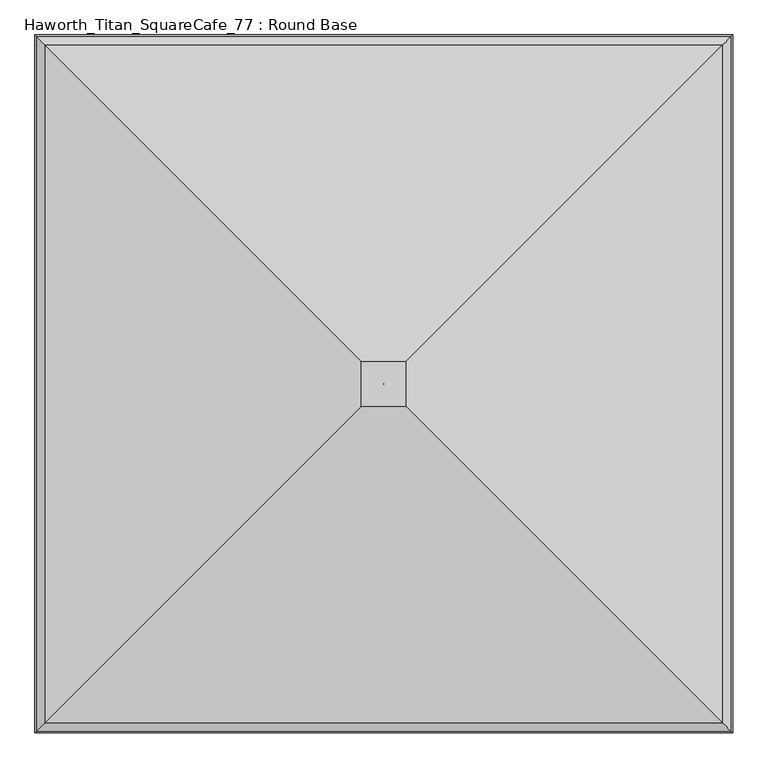
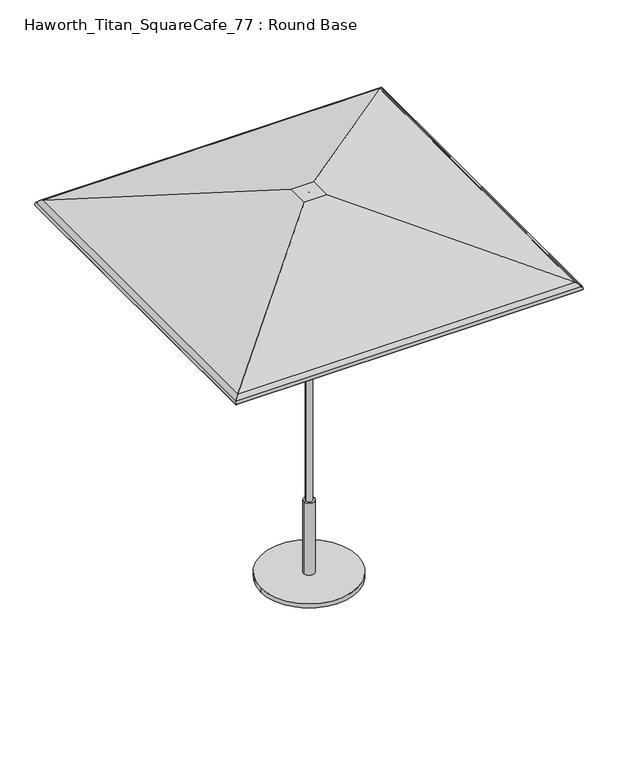
"""IFC4 building model written with IfcOpenShell, lengths in millimetres: furniture geometry, Haworth_Titan_SquareCafe_77 : Round Base."""

from ifc_helpers import new_model, si_unit, point, frame, frame_2d, origin, origin_with_axes, place, context, project, spatial, polyline, circle_curve, ellipse_curve, trimmed, segment, composite_curve, outline, extrude, source, transform, mapped, element, save
from ifc_brep_helpers import plane_surface, cylinder_surface, revolved_surface, advanced_brep


def haworth_titan_squarecafe_77_round_base_10424171(model_context):
    return source(origin(), model_context, "Body", "SolidModel", [
        advanced_brep(
        [(-0.1191233, -3.7889421, 2332.2359375), (-0.1191233, -3.7889421, 2336.8), (0.1191233, -3.7889421, 2336.8), (0.1191233, -3.7889421, 2332.2359375), (-972.8203346, -976.4901535, 2032.8952419), (-63.8799222, -67.5497411, 2332.2359375), (63.8799222, -67.5497411, 2332.2359375), (972.8203346, -976.4901535, 2032.8952419), (-993.3252275, -996.9950464, 2015.7031479), (993.3252275, -996.9950464, 2015.7031479), (-995.3819432, -999.051762, 1999.8260507), (995.3819432, -999.051762, 1999.8260507), (-999.7734953, -1003.4433141, 1998.5830959), (999.7734953, -1003.4433141, 1998.5830959), (-997.255117, -1000.9249359, 2018.0240604), (997.255117, -1000.9249359, 2018.0240604), (-972.7319046, -976.4017234, 2037.7634079), (972.7319046, -976.4017234, 2037.7634079), (-64.7106433, -68.3804622, 2336.8), (64.7106433, -68.3804622, 2336.8), (0.1191233, -2.7851577, 2336.8), (0.1191233, -2.7851577, 2332.2359375), (63.8799222, 60.9756412, 2332.2359375), (972.8203346, 969.9160536, 2032.8952419), (993.3252275, 990.4209465, 2015.7031479), (995.3819432, 992.4776622, 1999.8260507), (999.7734953, 996.8692143, 1998.5830959), (997.255117, 994.350836, 2018.0240604), (972.7319046, 969.8276236, 2037.7634079), (64.7106433, 61.8063623, 2336.8), (-0.1191233, -2.7851577, 2336.8), (-0.1191233, -2.7851577, 2332.2359375), (-63.8799222, 60.9756412, 2332.2359375), (-972.8203346, 969.9160536, 2032.8952419), (-993.3252275, 990.4209465, 2015.7031479), (-995.3819432, 992.4776622, 1999.8260507), (-999.7734953, 996.8692143, 1998.5830959), (-997.255117, 994.350836, 2018.0240604), (-972.7319046, 969.8276236, 2037.7634079), (-64.7106433, 61.8063623, 2336.8)],
        [
            (0, 1),
            (1, 2),
            (2, 3),
            (3, 0),
            (4, 5),
            (5, 6),
            (6, 7),
            (7, 4),
            (8, 4, ellipse_curve(frame((-958.7402749, -962.4100938, 1995.2779812), z_axis=(-0.7071067811865475, 0.7071067811865475, 0.0), x_axis=(0.7071067811865476, 0.7071067811865474, 0.0)), 56.8032813, 40.1659854)),
            (7, 9, ellipse_curve(frame((958.7402749, -962.4100938, 1995.2779812), z_axis=(0.7071067811865475, 0.7071067811865475, 0.0), x_axis=(0.7071067811865476, -0.7071067811865474, 0.0)), 56.8032813, 40.1659854)),
            (9, 8),
            (10, 8, ellipse_curve(frame((-975.8174942, -979.4873131, 2005.3634382), z_axis=(-0.7071067811865475, 0.7071067811865475, 0.0), x_axis=(0.7071067811865476, 0.7071067811865474, 0.0)), 28.7551847, 20.3329861)),
            (9, 11, ellipse_curve(frame((975.8174942, -979.4873131, 2005.3634382), z_axis=(0.7071067811865475, 0.7071067811865475, 0.0), x_axis=(0.7071067811865476, -0.7071067811865474, 0.0)), 28.7551847, 20.3329861)),
            (11, 10),
            (12, 10, ellipse_curve(frame((-997.5777192, -1001.2475381, 1999.2045733), z_axis=(0.7071067811865475, -0.7071067811865475, 0.0), x_axis=(-0.7071067811865476, -0.7071067811865474, 0.0)), 3.2272795, 2.2820312)),
            (11, 13, ellipse_curve(frame((997.5777192, -1001.2475381, 1999.2045733), z_axis=(-0.7071067811865475, -0.7071067811865475, 0.0), x_axis=(-0.7071067811865476, 0.7071067811865474, 0.0)), 3.2272795, 2.2820312)),
            (13, 12),
            (14, 12, ellipse_curve(frame((-975.8174942, -979.4873131, 2005.3634382), z_axis=(0.7071067811865475, -0.7071067811865475, 0.0), x_axis=(-0.7071067811865476, -0.7071067811865474, 0.0)), 35.2097438, 24.8970486)),
            (13, 15, ellipse_curve(frame((975.8174942, -979.4873131, 2005.3634382), z_axis=(-0.7071067811865475, -0.7071067811865475, 0.0), x_axis=(-0.7071067811865476, 0.7071067811865474, 0.0)), 35.2097438, 24.8970486)),
            (15, 14),
            (16, 14, ellipse_curve(frame((-958.7402749, -962.4100938, 1995.2779812), z_axis=(0.7071067811865475, -0.7071067811865475, 0.0), x_axis=(-0.7071067811865476, -0.7071067811865474, 0.0)), 63.2578403, 44.7300479)),
            (15, 17, ellipse_curve(frame((958.7402749, -962.4100938, 1995.2779812), z_axis=(-0.7071067811865475, -0.7071067811865475, 0.0), x_axis=(-0.7071067811865476, 0.7071067811865474, 0.0)), 63.2578403, 44.7300479)),
            (17, 16),
            (18, 16),
            (17, 19),
            (19, 18),
            (2, 20),
            (20, 21),
            (21, 3),
            (6, 22),
            (22, 23),
            (23, 7),
            (23, 24, ellipse_curve(frame((958.7402749, 955.8359939, 1995.2779812), z_axis=(-0.7071067811865475, 0.7071067811865475, 0.0), x_axis=(0.7071067811865474, 0.7071067811865476, 0.0)), 56.8032813, 40.1659854)),
            (24, 9),
            (24, 25, ellipse_curve(frame((975.8174942, 972.9132132, 2005.3634382), z_axis=(-0.7071067811865475, 0.7071067811865475, 0.0), x_axis=(0.7071067811865474, 0.7071067811865476, 0.0)), 28.7551847, 20.3329861)),
            (25, 11),
            (25, 26, ellipse_curve(frame((997.5777192, 994.6734382, 1999.2045733), z_axis=(0.7071067811865475, -0.7071067811865475, 0.0), x_axis=(-0.7071067811865474, -0.7071067811865476, 0.0)), 3.2272795, 2.2820312)),
            (26, 13),
            (26, 27, ellipse_curve(frame((975.8174942, 972.9132132, 2005.3634382), z_axis=(0.7071067811865475, -0.7071067811865475, 0.0), x_axis=(-0.7071067811865474, -0.7071067811865476, 0.0)), 35.2097438, 24.8970486)),
            (27, 15),
            (27, 28, ellipse_curve(frame((958.7402749, 955.8359939, 1995.2779812), z_axis=(0.7071067811865475, -0.7071067811865475, 0.0), x_axis=(-0.7071067811865474, -0.7071067811865476, 0.0)), 63.2578403, 44.7300479)),
            (28, 17),
            (28, 29),
            (29, 19),
            (20, 30),
            (30, 31),
            (31, 21),
            (22, 32),
            (32, 33),
            (33, 23),
            (33, 34, ellipse_curve(frame((-958.7402749, 955.8359939, 1995.2779812), z_axis=(-0.7071067811865475, -0.7071067811865475, 0.0), x_axis=(-0.7071067811865476, 0.7071067811865474, 0.0)), 56.8032813, 40.1659854)),
            (34, 24),
            (34, 35, ellipse_curve(frame((-975.8174942, 972.9132132, 2005.3634382), z_axis=(-0.7071067811865475, -0.7071067811865475, 0.0), x_axis=(-0.7071067811865476, 0.7071067811865474, 0.0)), 28.7551847, 20.3329861)),
            (35, 25),
            (35, 36, ellipse_curve(frame((-997.5777192, 994.6734382, 1999.2045733), z_axis=(0.7071067811865475, 0.7071067811865475, 0.0), x_axis=(0.7071067811865476, -0.7071067811865474, 0.0)), 3.2272795, 2.2820312)),
            (36, 26),
            (36, 37, ellipse_curve(frame((-975.8174942, 972.9132132, 2005.3634382), z_axis=(0.7071067811865475, 0.7071067811865475, 0.0), x_axis=(0.7071067811865476, -0.7071067811865474, 0.0)), 35.2097438, 24.8970486)),
            (37, 27),
            (37, 38, ellipse_curve(frame((-958.7402749, 955.8359939, 1995.2779812), z_axis=(0.7071067811865475, 0.7071067811865475, 0.0), x_axis=(0.7071067811865476, -0.7071067811865474, 0.0)), 63.2578403, 44.7300479)),
            (38, 28),
            (38, 39),
            (39, 29),
            (39, 18),
            (1, 30),
            (0, 31),
            (5, 32),
            (4, 33),
            (8, 34),
            (10, 35),
            (12, 36),
            (14, 37),
            (16, 38),
        ],
        [
            plane_surface(frame((-0.1191233, -3.7889421, 2336.8), z_axis=(0.0, 1.0, 0.0), x_axis=(1.0, 0.0, 0.0))),
            plane_surface(frame((-63.8799222, -67.5497411, 2332.2359375), z_axis=(0.0, 0.3128029016514654, -0.9498180587451598), x_axis=(1.0, 0.0, 0.0))),
            revolved_surface(polyline([(998.9062603008771, -922.2441084000001, 1995.2779812), (-998.9062603008771, -922.2441084000001, 1995.2779812)]), (-1013.0581334, -962.4100938, 1995.2779812), (1.0, 0.0, 0.0)),
            revolved_surface(polyline([(996.1504802956416, -959.1543270000001, 2005.3634382), (-996.1504802956417, -959.1543270000001, 2005.3634382)]), (-1013.0581334, -979.4873131, 2005.3634382), (1.0, 0.0, 0.0)),
            cylinder_surface(frame((-1013.0581334, -1001.2475381, 1999.2045733), z_axis=(-1.0, 0.0, 0.0), x_axis=(0.0, 1.0, 0.0)), 2.2820312),
            cylinder_surface(frame((-1013.0581334, -979.4873131, 2005.3634382), z_axis=(-1.0, 0.0, 0.0), x_axis=(0.0, 1.0, 0.0)), 24.8970486),
            cylinder_surface(frame((-1013.0581334, -962.4100938, 1995.2779812), z_axis=(-1.0, 0.0, 0.0), x_axis=(0.0, 1.0, 0.0)), 44.7300479),
            plane_surface(frame((-972.7319046, -976.4017234, 2037.7634079), z_axis=(0.0, -0.3128015803524927, 0.9498184938865862), x_axis=(1.0, 0.0, 0.0))),
            plane_surface(frame((0.1191233, -3.7889421, 2336.8), z_axis=(-1.0, 0.0, 0.0), x_axis=(0.0, 1.0, 0.0))),
            plane_surface(frame((63.8799222, -67.5497411, 2332.2359375), z_axis=(-0.31280290165146846, 0.0, -0.9498180587451588), x_axis=(0.0, 1.0, 0.0))),
            revolved_surface(polyline([(918.5742895000001, 996.0019793008769, 1995.2779812), (918.5742895000001, -1002.5760792008771, 1995.2779812)]), (958.7402749, -1016.7279523, 1995.2779812), (0.0, 1.0, 0.0)),
            revolved_surface(polyline([(955.4845081000001, 993.2461992956416, 2005.3634382), (955.4845081000001, -999.8202991956417, 2005.3634382)]), (975.8174942, -1016.7279523, 2005.3634382), (0.0, 1.0, 0.0)),
            cylinder_surface(frame((997.5777192, -1016.7279523, 1999.2045733), z_axis=(0.0, -1.0, 0.0), x_axis=(-1.0, 0.0, 0.0)), 2.2820312),
            cylinder_surface(frame((975.8174942, -1016.7279523, 2005.3634382), z_axis=(0.0, -1.0, 0.0), x_axis=(-1.0, 0.0, 0.0)), 24.8970486),
            cylinder_surface(frame((958.7402749, -1016.7279523, 1995.2779812), z_axis=(0.0, -1.0, 0.0), x_axis=(-1.0, 0.0, 0.0)), 44.7300479),
            plane_surface(frame((972.7319046, -976.4017234, 2037.7634079), z_axis=(0.3128015803524958, 0.0, 0.9498184938865852), x_axis=(0.0, 1.0, 0.0))),
            plane_surface(frame((0.1191233, -2.7851577, 2336.8), z_axis=(0.0, -1.0, 0.0), x_axis=(-1.0, 0.0, 0.0))),
            plane_surface(frame((63.8799222, 60.9756412, 2332.2359375), z_axis=(0.0, -0.3128029016514654, -0.9498180587451598), x_axis=(-1.0, 0.0, 0.0))),
            revolved_surface(polyline([(-998.9062603008771, 915.6700085, 1995.2779812), (998.9062603008771, 915.6700085, 1995.2779812)]), (1013.0581334, 955.8359939, 1995.2779812), (-1.0, 0.0, 0.0)),
            revolved_surface(polyline([(-996.1504802956416, 952.5802271, 2005.3634382), (996.1504802956417, 952.5802271, 2005.3634382)]), (1013.0581334, 972.9132132, 2005.3634382), (-1.0, 0.0, 0.0)),
            cylinder_surface(frame((1013.0581334, 994.6734382, 1999.2045733), z_axis=(1.0, 0.0, 0.0), x_axis=(0.0, -1.0, 0.0)), 2.2820312),
            cylinder_surface(frame((1013.0581334, 972.9132132, 2005.3634382), z_axis=(1.0, 0.0, 0.0), x_axis=(0.0, -1.0, 0.0)), 24.8970486),
            cylinder_surface(frame((1013.0581334, 955.8359939, 1995.2779812), z_axis=(1.0, 0.0, 0.0), x_axis=(0.0, -1.0, 0.0)), 44.7300479),
            plane_surface(frame((972.7319046, 969.8276236, 2037.7634079), z_axis=(0.0, 0.3128015803524927, 0.9498184938865862), x_axis=(-1.0, 0.0, 0.0))),
            plane_surface(frame((-64.7106433, 61.8063623, 2336.8), z_axis=(0.0, 0.0, 1.0), x_axis=(0.0, -1.0, 0.0))),
            plane_surface(frame((-0.1191233, -2.7851577, 2336.8), z_axis=(1.0, 0.0, 0.0), x_axis=(0.0, -1.0, 0.0))),
            plane_surface(frame((-0.1191233, -2.7851577, 2332.2359375), z_axis=(0.0, 0.0, -1.0), x_axis=(0.0, -1.0, 0.0))),
            plane_surface(frame((-63.8799222, 60.9756412, 2332.2359375), z_axis=(0.31280290165146235, 0.0, -0.9498180587451608), x_axis=(0.0, -1.0, 0.0))),
            revolved_surface(polyline([(-918.5742895000001, -1002.5760792008768, 1995.2779812), (-918.5742895000001, 996.001979300877, 1995.2779812)]), (-958.7402749, 1010.1538524, 1995.2779812), (0.0, -1.0, 0.0)),
            revolved_surface(polyline([(-955.4845081000001, -999.8202991956418, 2005.3634382), (-955.4845081000001, 993.2461992956416, 2005.3634382)]), (-975.8174942, 1010.1538524, 2005.3634382), (0.0, -1.0, 0.0)),
            cylinder_surface(frame((-997.5777192, 1010.1538524, 1999.2045733), z_axis=(0.0, 1.0, 0.0), x_axis=(1.0, 0.0, 0.0)), 2.2820312),
            cylinder_surface(frame((-975.8174942, 1010.1538524, 2005.3634382), z_axis=(0.0, 1.0, 0.0), x_axis=(1.0, 0.0, 0.0)), 24.8970486),
            cylinder_surface(frame((-958.7402749, 1010.1538524, 1995.2779812), z_axis=(0.0, 1.0, 0.0), x_axis=(1.0, 0.0, 0.0)), 44.7300479),
            plane_surface(frame((-972.7319046, 969.8276236, 2037.7634079), z_axis=(-0.31280158035248967, 0.0, 0.9498184938865872), x_axis=(0.0, -1.0, 0.0))),
        ],
        [
            (0, [[1, 2, 3, 4]]),
            (1, [[5, 6, 7, 8]]),
            (2, [[9, -8, 10, 11]]),
            (3, [[12, -11, 13, 14]]),
            (4, [[15, -14, 16, 17]]),
            (5, [[18, -17, 19, 20]]),
            (6, [[21, -20, 22, 23]]),
            (7, [[24, -23, 25, 26]]),
            (8, [[-3, 27, 28, 29]]),
            (9, [[-7, 30, 31, 32]]),
            (10, [[-10, -32, 33, 34]]),
            (11, [[-13, -34, 35, 36]]),
            (12, [[-16, -36, 37, 38]]),
            (13, [[-19, -38, 39, 40]]),
            (14, [[-22, -40, 41, 42]]),
            (15, [[-25, -42, 43, 44]]),
            (16, [[-28, 45, 46, 47]]),
            (17, [[-31, 48, 49, 50]]),
            (18, [[-33, -50, 51, 52]]),
            (19, [[-35, -52, 53, 54]]),
            (20, [[-37, -54, 55, 56]]),
            (21, [[-39, -56, 57, 58]]),
            (22, [[-41, -58, 59, 60]]),
            (23, [[-43, -60, 61, 62]]),
            (24, [[-44, -62, 63, -26], [64, -45, -27, -2]]),
            (25, [[-46, -64, -1, 65]]),
            (26, [[66, -48, -30, -6], [-29, -47, -65, -4]]),
            (27, [[-49, -66, -5, 67]]),
            (28, [[-51, -67, -9, 68]]),
            (29, [[-53, -68, -12, 69]]),
            (30, [[-55, -69, -15, 70]]),
            (31, [[-57, -70, -18, 71]]),
            (32, [[-59, -71, -21, 72]]),
            (33, [[-61, -72, -24, -63]]),
        ],
    ),
        extrude(outline(composite_curve([segment(trimmed(circle_curve(frame_2d((0.0, -4.0299408)), 279.4), [point((-279.4, -4.0299408))], [point((279.4, -4.0299408))], False, "CARTESIAN"), True, "CONTINUOUS"), segment(trimmed(circle_curve(frame_2d((0.0, -4.0299408)), 279.4), [point((279.4, -4.0299408))], [point((-279.4, -4.0299408))], False, "CARTESIAN"), True, "CONTINUOUS")], self_intersect=False)), origin_with_axes(), (0.0, 0.0, 1.0), 25.4),
        advanced_brep(
        [(-19.05, -4.0299408, 463.5500121), (19.05, -4.0299408, 463.5500121), (31.7499992, -4.0299408, 463.5500121), (-31.7499992, -4.0299408, 463.5500121), (-19.05, -4.0299408, 1771.5507813), (19.05, -4.0299408, 1771.5507813), (0.0, -4.0299408, 1771.5507813), (-31.7499992, -4.0299408, 25.4), (31.7499992, -4.0299408, 25.4), (0.0, -4.0299408, 25.4)],
        [
            (0, 1, circle_curve(frame((0.0, -4.0299408, 463.5500121), z_axis=(0.0, 0.0, -1.0), x_axis=(1.0, 0.0, 0.0)), 19.05)),
            (1, 2),
            (2, 3, circle_curve(frame((0.0, -4.0299408, 463.5500121), z_axis=(0.0, 0.0, 1.0), x_axis=(1.0, 0.0, 0.0)), 31.7499992)),
            (3, 0),
            (1, 0, circle_curve(frame((0.0, -4.0299408, 463.5500121), z_axis=(0.0, 0.0, -1.0), x_axis=(1.0, 0.0, 0.0)), 19.05)),
            (3, 2, circle_curve(frame((0.0, -4.0299408, 463.5500121), z_axis=(0.0, 0.0, 1.0), x_axis=(1.0, 0.0, 0.0)), 31.7499992)),
            (4, 5, circle_curve(frame((0.0, -4.0299408, 1771.5507813), z_axis=(0.0, 0.0, -1.0), x_axis=(1.0, 0.0, 0.0)), 19.05)),
            (5, 1),
            (0, 4),
            (5, 4, circle_curve(frame((0.0, -4.0299408, 1771.5507813), z_axis=(0.0, 0.0, -1.0), x_axis=(1.0, 0.0, 0.0)), 19.05)),
            (6, 5),
            (4, 6),
            (7, 8, circle_curve(frame((0.0, -4.0299408, 25.4), z_axis=(0.0, 0.0, -1.0), x_axis=(1.0, 0.0, 0.0)), 31.7499992)),
            (8, 9),
            (9, 7),
            (8, 7, circle_curve(frame((0.0, -4.0299408, 25.4), z_axis=(0.0, 0.0, -1.0), x_axis=(1.0, 0.0, 0.0)), 31.7499992)),
            (2, 8),
            (7, 3),
        ],
        [
            plane_surface(frame((0.0, -4.0299408, 463.5500121), z_axis=(0.0, 0.0, 1.0), x_axis=(1.0, 0.0, 0.0))),
            cylinder_surface(frame((0.0, -4.0299408, 2635.1507813), z_axis=(0.0, 0.0, 1.0), x_axis=(1.0, 0.0, 0.0)), 19.05),
            plane_surface(frame((0.0, -4.0299408, 1771.5507813), z_axis=(0.0, 0.0, 1.0), x_axis=(1.0, 0.0, 0.0))),
            plane_surface(frame((0.0, -4.0299408, 25.4), z_axis=(0.0, 0.0, -1.0), x_axis=(1.0, 0.0, 0.0))),
            cylinder_surface(frame((0.0, -4.0299408, 2635.1507813), z_axis=(0.0, 0.0, 1.0), x_axis=(1.0, 0.0, 0.0)), 31.7499992),
        ],
        [
            (0, [[1, 2, 3, 4]]),
            (0, [[5, -4, 6, -2]]),
            (1, [[7, 8, -1, 9]]),
            (1, [[10, -9, -5, -8]]),
            (2, [[11, -7, 12]]),
            (2, [[-12, -10, -11]]),
            (3, [[13, 14, 15]]),
            (3, [[16, -15, -14]]),
            (4, [[-3, 17, -13, 18]]),
            (4, [[-6, -18, -16, -17]]),
        ],
    ),
    ])


if __name__ == "__main__":
    model = new_model("IFC4")
    model_context = context("Model", 3, world=origin())
    ifc_project = project(units=[si_unit("LENGTHUNIT", "METRE", prefix="MILLI")], contexts=[model_context])
    site = spatial("IfcSite", under=ifc_project)
    building = spatial("IfcBuilding", under=site)
    placement = place(None, origin())
    haworth_titan_squarecafe_77_round_base_shape = haworth_titan_squarecafe_77_round_base_10424171(model_context)
    element("IfcFurniture", 1, ObjectType="Haworth_Titan_SquareCafe_77 : Round Base", at=placement, inside=building, context=model_context, shape_type="MappedRepresentation", body=[
        mapped(haworth_titan_squarecafe_77_round_base_shape, transform((0.0, 0.0, 0.0), x_axis=(1.0, 0.0, 0.0), y_axis=(0.0, 1.0, 0.0), z_axis=(0.0, 0.0, 1.0))),
    ])
    save(model, "model.ifc")
